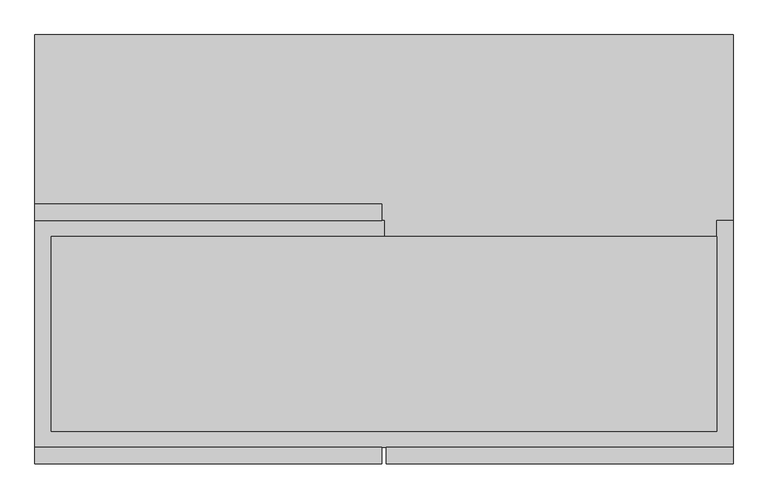
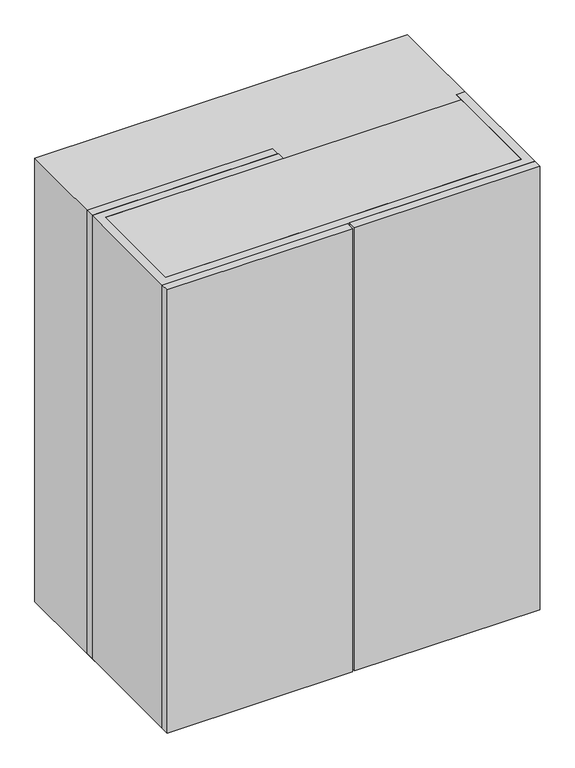
"""IFC4 building model written with IfcOpenShell, lengths in millimetres: proxy geometry."""

from ifc_helpers import new_model, si_unit, frame, origin, origin_with_axes, place, context, project, spatial, polyline, outline, extrude, source, transform, mapped, element, save


def specialty_equipment_4a2a8af1(model_context):
    return source(origin(), model_context, "Body", "SweptSolid", [
        extrude(outline(polyline([(520.7, 152.4), (520.7, -152.4), (-520.7, -152.4), (-520.7, 152.4), (520.7, 152.4)])), origin_with_axes(), (0.0, 0.0, 1.0), 25.4),
        extrude(outline(polyline([(520.7, 152.4), (520.7, -152.4), (-520.7, -152.4), (-520.7, 152.4), (520.7, 152.4)])), frame((0.0, 0.0, 1346.2), z_axis=(0.0, 0.0, 1.0), x_axis=(1.0, 0.0, 0.0)), (0.0, 0.0, 1.0), 25.4),
        extrude(outline(polyline([(-3.175, -203.2), (-546.1, -203.2), (-546.1, -177.8), (-3.175, -177.8), (-3.175, -203.2)])), origin_with_axes(), (0.0, 0.0, 1.0), 1371.6),
        extrude(outline(polyline([(3.175, -203.2), (3.175, -177.8), (546.1, -177.8), (546.1, -203.2), (3.175, -203.2)])), origin_with_axes(), (0.0, 0.0, 1.0), 1371.6),
        extrude(outline(polyline([(-3.175, 203.2), (-3.175, 177.8), (-546.1, 177.8), (-546.1, 203.2), (-3.175, 203.2)])), origin_with_axes(), (0.0, 0.0, 1.0), 1371.6),
        extrude(outline(polyline([(546.1, 177.8), (546.1, -177.8), (-546.1, -177.8), (-546.1, 177.8), (0.0, 177.8), (0.0, 152.4), (-520.7, 152.4), (-520.7, 0.0), (-520.7, -152.4), (520.7, -152.4), (520.7, 177.8), (546.1, 177.8)])), origin_with_axes(), (0.0, 0.0, 1.0), 1371.6),
        extrude(outline(polyline([(546.1, 468.3125), (546.1, 61.9125), (-546.1, 61.9125), (-546.1, 468.3125), (546.1, 468.3125)])), origin_with_axes(), (0.0, 0.0, 1.0), 1371.6),
    ])


if __name__ == "__main__":
    model = new_model("IFC4")
    model_context = context("Model", 3, world=origin())
    ifc_project = project(units=[si_unit("LENGTHUNIT", "METRE", prefix="MILLI")], contexts=[model_context])
    site = spatial("IfcSite", under=ifc_project)
    building = spatial("IfcBuilding", under=site)
    placement = place(None, origin())
    specialty_equipment_shape = specialty_equipment_4a2a8af1(model_context)
    element("IfcBuildingElementProxy", 1, Name="Specialty Equipment", at=placement, inside=building, context=model_context, shape_type="MappedRepresentation", body=[
        mapped(specialty_equipment_shape, transform((0.0, 0.0, 0.0), x_axis=(1.0, 0.0, 0.0), y_axis=(0.0, 1.0, 0.0), z_axis=(0.0, 0.0, 1.0))),
    ])
    save(model, "model.ifc")
